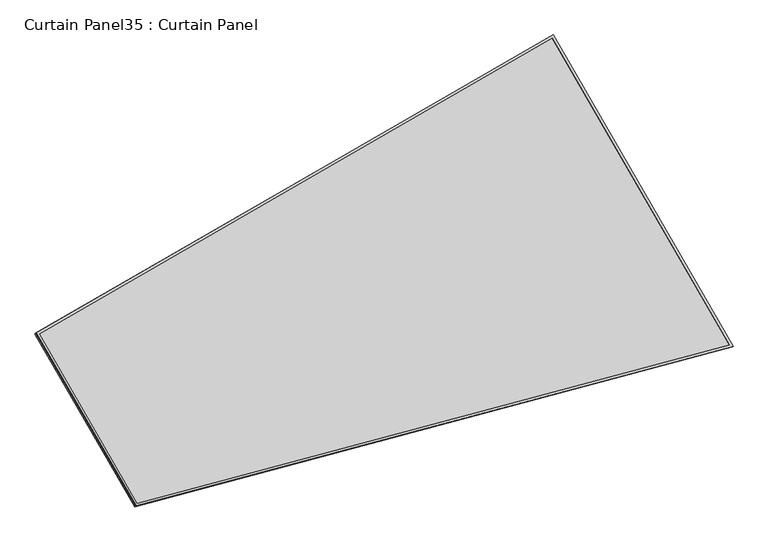
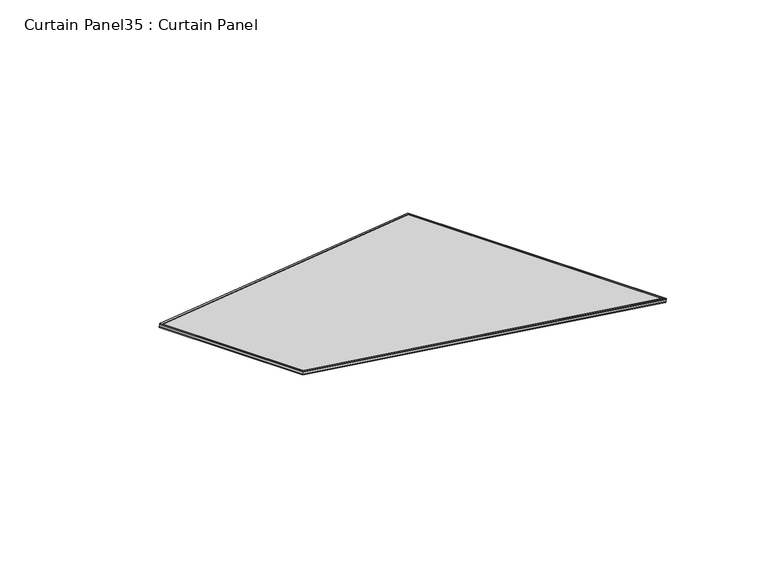
"""IFC4 building model written with IfcOpenShell, lengths in millimetres: plate geometry, Curtain Panel35 : Curtain Panel."""

from ifc_helpers import new_model, si_unit, frame, origin, place, context, project, spatial, polyline, outline, extrude, source, transform, mapped, element, save


def curtain_panel35_curtain_panel_bd255568(model_context):
    return source(origin(), model_context, "Body", "SweptSolid", [
        extrude(outline(polyline([(903.3982324, -2842.288964), (0.0, -2842.288964), (0.0, 0.0), (1625.9258266, 0.0), (903.3982324, -2842.288964)]), holes=[polyline([(1611.6350307, -11.1124999), (11.1125, -11.1125), (11.1125001, -2831.1764639), (894.7571702, -2831.176464), (1611.6350307, -11.1124999)])]), frame((20845.9816901, 5270.2811282, -9.1511127), z_axis=(0.2737903148616763, 0.15807291198689716, 0.9487106081329159), x_axis=(0.49999999999999045, -0.8660254037844441, 0.0)), (0.0, 0.0, 1.0), 4.8362235),
        extrude(outline(polyline([(903.3982322, -2842.288964), (0.0, -2842.288964), (0.0, 0.0), (1625.9258265, 0.0), (903.3982322, -2842.288964)]), holes=[polyline([(1611.6350306, -11.1125), (11.1125, -11.1125), (11.1125, -2831.176464), (894.75717, -2831.176464), (1611.6350306, -11.1125)])]), frame((20841.1540578, 5267.4938933, -25.8793379), z_axis=(0.2737903148616945, 0.15807291198690862, 0.9487106081329085), x_axis=(0.49999999999999184, -0.8660254037844434, 0.0)), (0.0, 0.0, 1.0), 4.7848467),
        extrude(outline(polyline([(12.7, 0.0), (1638.6258266, 0.0), (916.0982323, -2842.288964), (12.7, -2842.288964), (12.7, 0.0)])), frame((20836.1141024, 5279.2487706, -21.3399031), z_axis=(0.2737903148616801, 0.15807291198690002, 0.9487106081329142), x_axis=(0.4999999999999914, -0.8660254037844436, 0.0)), (0.0, 0.0, 1.0), 12.8477434),
    ])


if __name__ == "__main__":
    model = new_model("IFC4")
    model_context = context("Model", 3, world=origin())
    ifc_project = project(units=[si_unit("LENGTHUNIT", "METRE", prefix="MILLI")], contexts=[model_context])
    site = spatial("IfcSite", under=ifc_project)
    building = spatial("IfcBuilding", under=site)
    placement = place(None, origin())
    curtain_panel35_curtain_panel_shape = curtain_panel35_curtain_panel_bd255568(model_context)
    element("IfcPlate", 1, ObjectType="Curtain Panel35 : Curtain Panel", at=placement, inside=building, context=model_context, shape_type="MappedRepresentation", body=[
        mapped(curtain_panel35_curtain_panel_shape, transform((0.0, 0.0, 0.0), x_axis=(1.0, 0.0, 0.0), y_axis=(0.0, 1.0, 0.0), z_axis=(0.0, 0.0, 1.0))),
    ])
    save(model, "model.ifc")
